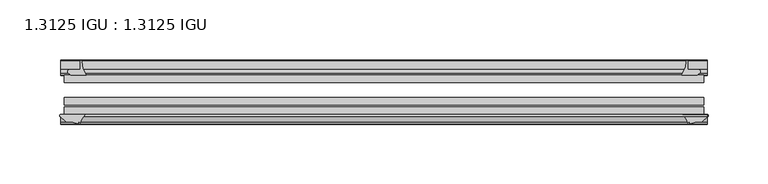
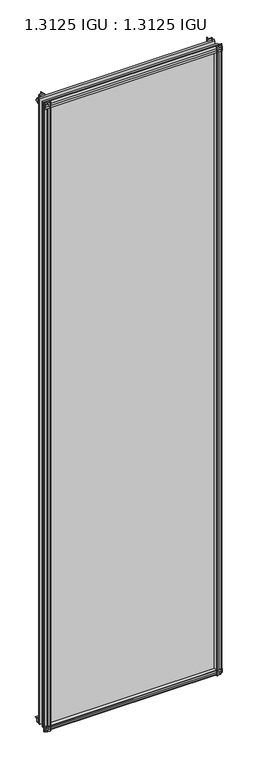
"""IFC4 building model written with IfcOpenShell, lengths in millimetres: plate geometry, 1.3125 IGU : 1.3125 IGU."""

import ifcopenshell
import ifcopenshell.guid

model = None  # the IFC model being written
_history = None  # IfcOwnerHistory: only IFC2X3 demands one
_inside = {}  # id of a spatial element -> (the spatial element, [elements in it])
_under = {}  # id of a project, library or spatial element -> (it, [spatial elements below it])
_declared = {}  # id of a project -> (the project, [libraries it declares])
_typed = {}  # id of a type object -> (the type object, [elements of that type])
_made_of = {}  # id of a material, layer set ... -> (it, [elements and type objects made of it])


def new_model(schema):
    """Start an empty IFC model of exactly this schema.

    Asked for "IFC4X3", IfcOpenShell would pick the latest addendum, in which some entities
    have other attributes; the version numbers below select the first issue.
    IFC2X3 requires an IfcOwnerHistory on every rooted entity: one is made here for all.
    """
    global model, _history
    if schema == "IFC4X3":
        model = ifcopenshell.file(schema_version=(4, 3, 0, 0))
    else:
        model = ifcopenshell.file(schema=schema)
    _inside.clear()
    _under.clear()
    _declared.clear()
    _typed.clear()
    _made_of.clear()
    _history = None
    if model.schema == "IFC2X3":
        org = make("IfcOrganization", Name="unknown")
        user = make(
            "IfcPersonAndOrganization",
            ThePerson=make("IfcPerson", FamilyName="unknown"),
            TheOrganization=org,
        )
        app = make(
            "IfcApplication",
            ApplicationDeveloper=org,
            Version="unknown",
            ApplicationFullName="unknown",
            ApplicationIdentifier="unknown",
        )
        _history = make(
            "IfcOwnerHistory",
            OwningUser=user,
            OwningApplication=app,
            ChangeAction="ADDED",
            CreationDate=0,
        )
    return model


def make(cls, **values):
    """One entity of the class cls with the attributes given. An attribute that is None is left unset."""
    return model.create_entity(
        cls, **{name: value for name, value in values.items() if value is not None}
    )


def rooted(cls, **values):
    """An entity with a GlobalId (a new one), such as an element, a storey or a relation."""
    return make(cls, GlobalId=ifcopenshell.guid.new(), OwnerHistory=_history, **values)


def si_unit(unit_type, name, prefix=None):
    """IfcSIUnit, for example si_unit("LENGTHUNIT", "METRE", prefix="MILLI")."""
    return make("IfcSIUnit", UnitType=unit_type, Prefix=prefix, Name=name)


def assignment(units):
    """IfcUnitAssignment: the units of a project."""
    return None if units is None else make("IfcUnitAssignment", Units=units)


def point(xyz):
    """IfcCartesianPoint."""
    return None if xyz is None else make("IfcCartesianPoint", Coordinates=xyz)


def direction(xyz):
    """IfcDirection."""
    return None if xyz is None else make("IfcDirection", DirectionRatios=xyz)


def frame(location, z_axis=None, x_axis=None):
    """IfcAxis2Placement3D, a coordinate frame: its origin and axes. An axis left out is left unset."""
    return make(
        "IfcAxis2Placement3D",
        Location=point(location),
        Axis=direction(z_axis),
        RefDirection=direction(x_axis),
    )


def frame_2d(location, x_axis=None):
    """IfcAxis2Placement2D, a coordinate frame in the plane: its origin and x axis."""
    return make(
        "IfcAxis2Placement2D", Location=point(location), RefDirection=direction(x_axis)
    )


def origin():
    """The frame at (0, 0, 0) with its axes left unset."""
    return frame((0.0, 0.0, 0.0))


def place(relative_to, where):
    """IfcLocalPlacement: puts the frame where relative to a parent placement (None: the world)."""
    return make(
        "IfcLocalPlacement", PlacementRelTo=relative_to, RelativePlacement=where
    )


def context(
    kind, dimensions, precision=None, world=None, true_north=None, identifier=None
):
    """IfcGeometricRepresentationContext, for example the 3D "Model" context."""
    return make(
        "IfcGeometricRepresentationContext",
        ContextIdentifier=identifier,
        ContextType=kind,
        CoordinateSpaceDimension=dimensions,
        Precision=precision,
        WorldCoordinateSystem=world,
        TrueNorth=true_north,
    )


def project(units=None, contexts=None):
    """IfcProject with its units and contexts."""
    return rooted(
        "IfcProject",
        Name="project",
        RepresentationContexts=contexts,
        UnitsInContext=assignment(units),
    )


def spatial(cls, under=None, at=None, **own):
    """A site, building, storey or space (cls), placed at a placement, below another one or the project."""
    s = rooted(cls, ObjectPlacement=at, **own)
    if under is not None:
        _under.setdefault(under.id(), (under, []))[1].append(s)
    return s


def polyline(points):
    """IfcPolyline through the points."""
    return make("IfcPolyline", Points=[point(p) for p in points])


def circle_curve(where, radius):
    """IfcCircle in the frame where."""
    return make("IfcCircle", Position=where, Radius=radius)


def trimmed(basis, trim1, trim2, sense, master):
    """IfcTrimmedCurve: the piece of a basis curve between two trims."""
    return make(
        "IfcTrimmedCurve",
        BasisCurve=basis,
        Trim1=trim1,
        Trim2=trim2,
        SenseAgreement=sense,
        MasterRepresentation=master,
    )


def segment(curve, same_sense, transition):
    """IfcCompositeCurveSegment."""
    return make(
        "IfcCompositeCurveSegment",
        Transition=transition,
        SameSense=same_sense,
        ParentCurve=curve,
    )


def composite_curve(segments, self_intersect=None):
    """IfcCompositeCurve: segments joined end to end."""
    return make("IfcCompositeCurve", Segments=segments, SelfIntersect=self_intersect)


def outline(outer, holes=None, kind="AREA"):
    """IfcArbitraryClosedProfileDef: a profile drawn as a closed curve; with holes, ...WithVoids."""
    if holes is None:
        return make("IfcArbitraryClosedProfileDef", ProfileType=kind, OuterCurve=outer)
    return make(
        "IfcArbitraryProfileDefWithVoids",
        ProfileType=kind,
        OuterCurve=outer,
        InnerCurves=holes,
    )


def extrude(swept, where, along, depth):
    """IfcExtrudedAreaSolid: the profile swept, set in the frame where, extruded along a direction by depth."""
    return make(
        "IfcExtrudedAreaSolid",
        SweptArea=swept,
        Position=where,
        ExtrudedDirection=direction(along),
        Depth=depth,
    )


def shape(context_of_items, identifier, shape_type, items):
    """IfcShapeRepresentation: the items that make up one representation, for example the "Body"."""
    return make(
        "IfcShapeRepresentation",
        ContextOfItems=context_of_items,
        RepresentationIdentifier=identifier,
        RepresentationType=shape_type,
        Items=items,
    )


def source(mapping_origin, context_of_items, identifier, shape_type, items):
    """IfcRepresentationMap: a shape defined once, which mapped items show again and again."""
    return make(
        "IfcRepresentationMap",
        MappingOrigin=mapping_origin,
        MappedRepresentation=shape(context_of_items, identifier, shape_type, items),
    )


def transform(
    local_origin,
    x_axis=None,
    y_axis=None,
    z_axis=None,
    scale=None,
    scale2=None,
    scale3=None,
    uniform=True,
):
    """IfcCartesianTransformationOperator3D, or its non-uniform kind. x_axis, y_axis, z_axis: its Axis1, 2, 3."""
    if uniform:
        return make(
            "IfcCartesianTransformationOperator3D",
            Axis1=direction(x_axis),
            Axis2=direction(y_axis),
            LocalOrigin=point(local_origin),
            Scale=scale,
            Axis3=direction(z_axis),
        )
    return make(
        "IfcCartesianTransformationOperator3DnonUniform",
        Axis1=direction(x_axis),
        Axis2=direction(y_axis),
        LocalOrigin=point(local_origin),
        Scale=scale,
        Axis3=direction(z_axis),
        Scale2=scale2,
        Scale3=scale3,
    )


def mapped(mapping_source, mapping_target):
    """IfcMappedItem: shows the shape of a source again, moved by a transform."""
    return make(
        "IfcMappedItem", MappingSource=mapping_source, MappingTarget=mapping_target
    )


def made_of(thing, what):
    """Note that an element or type object is made of a material, layer set ...; save() writes the relation."""
    if what is not None:
        _made_of.setdefault(what.id(), (what, []))[1].append(thing)
    return thing


def element(
    cls,
    number,
    at=None,
    inside=None,
    cuts=None,
    type_object=None,
    material=None,
    context=None,
    identifier="Body",
    shape_type=None,
    held_by="IfcProductDefinitionShape",
    body=None,
    shapes=None,
    **own,
):
    """One element of the class cls, such as IfcWall. Its Tag is "e" and its number.

    at: its placement. inside: the storey or other place that contains it. cuts: it is an
    opening in that element (IfcRelVoidsElement). A single representation is given by context,
    identifier, shape_type and body (its items); several are given by shapes. held_by: the class
    of the entity that holds the representations. save() writes the other relations.
    """
    e = rooted(cls, Tag="e%d" % number, ObjectPlacement=at, **own)
    if body is not None:
        shapes = [shape(context, identifier, shape_type, body)]
    if shapes is not None:
        e.Representation = make(held_by, Representations=shapes)
    if inside is not None:
        _inside.setdefault(inside.id(), (inside, []))[1].append(e)
    if cuts is not None:
        rooted(
            "IfcRelVoidsElement", RelatingBuildingElement=cuts, RelatedOpeningElement=e
        )
    if type_object is not None:
        _typed.setdefault(type_object.id(), (type_object, []))[1].append(e)
    return made_of(e, material)


def aggregate(whole, parts):
    """IfcRelAggregates: a whole, such as a stair, and the parts it consists of."""
    return rooted("IfcRelAggregates", RelatingObject=whole, RelatedObjects=parts)


def save(model, path):
    """Write the relations noted so far, then the file.

    IfcRelAggregates (storeys below a building ...), IfcRelContainedInSpatialStructure (elements
    in a storey), IfcRelDefinesByType, IfcRelAssociatesMaterial and IfcRelDeclares: one each for
    every whole, place, type object, material and project.
    """
    for whole, parts in _under.values():
        aggregate(whole, parts)
    for where, things in _inside.values():
        rooted(
            "IfcRelContainedInSpatialStructure",
            RelatedElements=things,
            RelatingStructure=where,
        )
    for kind, things in _typed.values():
        rooted("IfcRelDefinesByType", RelatedObjects=things, RelatingType=kind)
    for what, things in _made_of.values():
        rooted("IfcRelAssociatesMaterial", RelatedObjects=things, RelatingMaterial=what)
    for by, libraries in _declared.values():
        rooted("IfcRelDeclares", RelatingContext=by, RelatedDefinitions=libraries)
    model.write(path)


def plate_1_3125_igu_1_3125_igu_39c47b8d(model_context):
    return source(origin(), model_context, "Body", "SweptSolid", [
        extrude(outline(composite_curve([segment(polyline([(-22.094825, 0.0), (-22.094825, -9.916835)]), True, "CONTINUOUS"), segment(trimmed(circle_curve(frame_2d((-23.669625, -9.916835)), 1.5748), [point((-22.094825, -9.916835))], [point((-24.8706146, -10.9354709))], False, "CARTESIAN"), True, "CONTINUOUS"), segment(polyline([(-24.8706146, -10.9354709), (-26.590625, -8.9075484), (-26.590625, 4.0446407)]), True, "CONTINUOUS"), segment(trimmed(circle_curve(frame_2d((-7.1839113, 38.4138813)), 39.4698015), [point((-26.590625, 4.0446407))], [point((-19.4504626, 0.8985917))], True, "CARTESIAN"), True, "CONTINUOUS"), segment(polyline([(-19.4504626, 0.8985917), (-13.3986538, 0.0), (-22.094825, 0.0)]), True, "CONTINUOUS")], self_intersect=False)), frame((-271.0684763, 0.0, 0.0), z_axis=(1.0, 0.0, 0.0), x_axis=(0.0, 1.0, 0.0)), (0.0, 0.0, 1.0), 542.1369525),
        extrude(outline(composite_curve([segment(trimmed(circle_curve(frame_2d((-67.8737919, 9.6311377)), 10.5748618), [point((-66.062225, -0.7874))], [point((-59.712225, 2.9068141))], True, "CARTESIAN"), True, "CONTINUOUS"), segment(polyline([(-59.712225, 2.9068141), (-59.712225, -18.0442511)]), True, "CONTINUOUS"), segment(trimmed(circle_curve(frame_2d((-60.728225, -18.0442511)), 1.016), [point((-59.712225, -18.0442511))], [point((-61.4950672, -18.7107412))], False, "CARTESIAN"), True, "CONTINUOUS"), segment(polyline([(-61.4950672, -18.7107412), (-66.062225, -13.4559149), (-66.062225, -7.4520336), (-67.637025, -1.5748), (-66.062225, -1.5748), (-66.062225, -0.7874)]), True, "CONTINUOUS")], self_intersect=False)), frame((-271.0684763, 0.0, 0.0), z_axis=(1.0, 0.0, 0.0), x_axis=(0.0, 1.0, 0.0)), (0.0, 0.0, 1.0), 542.1369525),
        extrude(outline(composite_curve([segment(polyline([(-66.062225, 2013.6598774), (-61.4950672, 2018.9147037)]), True, "CONTINUOUS"), segment(trimmed(circle_curve(frame_2d((-60.728225, 2018.2482136)), 1.016), [point((-61.4950672, 2018.9147037))], [point((-59.712225, 2018.2482136))], False, "CARTESIAN"), True, "CONTINUOUS"), segment(polyline([(-59.712225, 2018.2482136), (-59.712225, 1997.7230921)]), True, "CONTINUOUS"), segment(trimmed(circle_curve(frame_2d((-66.4211348, 1992.0932283)), 8.7581298), [point((-59.712225, 1997.7230921))], [point((-66.062225, 2000.8440009))], True, "CARTESIAN"), True, "CONTINUOUS"), segment(polyline([(-66.062225, 2000.8440009), (-66.062225, 2001.7787625), (-67.637025, 2001.7787625), (-66.062225, 2007.6559961), (-66.062225, 2013.6598774)]), True, "CONTINUOUS")], self_intersect=False)), frame((-271.0684763, 0.0, 0.0), z_axis=(1.0, 0.0, 0.0), x_axis=(0.0, 1.0, 0.0)), (0.0, 0.0, 1.0), 542.1369525),
        extrude(outline(composite_curve([segment(polyline([(-26.590625, 1996.1593218), (-26.590625, 2009.1115109), (-24.8706146, 2011.1394334)]), True, "CONTINUOUS"), segment(trimmed(circle_curve(frame_2d((-23.669625, 2010.1207975)), 1.5748), [point((-24.8706146, 2011.1394334))], [point((-22.094825, 2010.1207975))], False, "CARTESIAN"), True, "CONTINUOUS"), segment(polyline([(-22.094825, 2010.1207975), (-22.094825, 2000.25), (-14.5883882, 2000.25), (-18.3240316, 1999.4633459)]), True, "CONTINUOUS"), segment(trimmed(circle_curve(frame_2d((-16.4585419, 1986.834903)), 12.7654855), [point((-18.3240316, 1999.4633459))], [point((-20.5939581, 1998.9119869))], True, "CARTESIAN"), True, "CONTINUOUS"), segment(trimmed(circle_curve(frame_2d((-7.1839113, 1961.7900812)), 39.4698015), [point((-20.5939581, 1998.9119869))], [point((-26.590625, 1996.1593218))], True, "CARTESIAN"), True, "CONTINUOUS")], self_intersect=False)), frame((-271.0684763, 0.0, 0.0), z_axis=(1.0, 0.0, 0.0), x_axis=(0.0, 1.0, 0.0)), (0.0, 0.0, 1.0), 542.1369525),
        extrude(outline(composite_curve([segment(polyline([(262.9075484, -26.590625), (249.9553593, -26.590625)]), True, "CONTINUOUS"), segment(trimmed(circle_curve(frame_2d((215.5861187, -7.1839113)), 39.4698015), [point((249.9553593, -26.590625))], [point((253.1014083, -19.4504626))], True, "CARTESIAN"), True, "CONTINUOUS"), segment(polyline([(253.1014083, -19.4504626), (253.7472834, -15.1006424)]), True, "CONTINUOUS"), segment(trimmed(circle_curve(frame_2d((254.5267687, -15.2120036)), 0.7874), [point((253.7472834, -15.1006424))], [point((254.79375, -14.4712474))], False, "CARTESIAN"), True, "CONTINUOUS"), segment(polyline([(254.79375, -14.4712474), (254.79375, -22.094825), (263.916835, -22.094825)]), True, "CONTINUOUS"), segment(trimmed(circle_curve(frame_2d((263.916835, -23.669625)), 1.5748), [point((263.916835, -22.094825))], [point((264.9354709, -24.8706146))], False, "CARTESIAN"), True, "CONTINUOUS"), segment(polyline([(264.9354709, -24.8706146), (262.9075484, -26.590625)]), True, "CONTINUOUS")], self_intersect=False)), frame((0.0, 0.0, -18.2728511), z_axis=(0.0, 0.0, 1.0), x_axis=(1.0, 0.0, 0.0)), (0.0, 0.0, 1.0), 2037.8352548),
        extrude(outline(composite_curve([segment(polyline([(250.6489748, -59.712225), (271.2094015, -59.712225)]), True, "CONTINUOUS"), segment(trimmed(circle_curve(frame_2d((271.2094015, -60.728225)), 1.016), [point((271.2094015, -59.712225))], [point((271.8758916, -61.4950672))], False, "CARTESIAN"), True, "CONTINUOUS"), segment(polyline([(271.8758916, -61.4950672), (266.6210653, -66.062225), (262.6458336, -66.062225), (256.7686, -67.637025), (256.7686, -66.062225), (255.6782443, -66.062225)]), True, "CONTINUOUS"), segment(trimmed(circle_curve(frame_2d((255.6782443, -66.849625)), 0.7874), [point((255.6782443, -66.062225))], [point((254.9005385, -66.7264485))], True, "CARTESIAN"), True, "CONTINUOUS"), segment(trimmed(circle_curve(frame_2d((241.8352219, -69.8501675)), 13.4335445), [point((254.9005385, -66.7264485))], [point((250.6489748, -59.712225))], True, "CARTESIAN"), True, "CONTINUOUS")], self_intersect=False)), frame((0.0, 0.0, -18.2728511), z_axis=(0.0, 0.0, 1.0), x_axis=(1.0, 0.0, 0.0)), (0.0, 0.0, 1.0), 2037.8352548),
        extrude(outline(composite_curve([segment(polyline([(-253.7472834, -15.1006424), (-253.2728683, -18.2957187)]), True, "CONTINUOUS"), segment(trimmed(circle_curve(frame_2d((-240.7105951, -16.4304327)), 12.7), [point((-253.2728683, -18.2957187))], [point((-252.7241235, -20.5493081))], True, "CARTESIAN"), True, "CONTINUOUS"), segment(trimmed(circle_curve(frame_2d((-215.5861187, -7.1839113)), 39.4698015), [point((-252.7241235, -20.5493081))], [point((-249.9553593, -26.590625))], True, "CARTESIAN"), True, "CONTINUOUS"), segment(polyline([(-249.9553593, -26.590625), (-262.9075484, -26.590625), (-264.9354709, -24.8706146)]), True, "CONTINUOUS"), segment(trimmed(circle_curve(frame_2d((-263.916835, -23.669625)), 1.5748), [point((-264.9354709, -24.8706146))], [point((-263.916835, -22.094825))], False, "CARTESIAN"), True, "CONTINUOUS"), segment(polyline([(-263.916835, -22.094825), (-254.762, -22.094825), (-254.762, -14.4605617)]), True, "CONTINUOUS"), segment(trimmed(circle_curve(frame_2d((-254.5267687, -15.2120036)), 0.7874), [point((-254.762, -14.4605617))], [point((-253.7472834, -15.1006424))], False, "CARTESIAN"), True, "CONTINUOUS")], self_intersect=False)), frame((0.0, 0.0, -18.2728511), z_axis=(0.0, 0.0, 1.0), x_axis=(1.0, 0.0, 0.0)), (0.0, 0.0, 1.0), 2038.1847648),
        extrude(outline(composite_curve([segment(trimmed(circle_curve(frame_2d((-241.8352219, -69.8501675)), 13.4335445), [point((-250.6489748, -59.712225))], [point((-254.9005385, -66.7264485))], True, "CARTESIAN"), True, "CONTINUOUS"), segment(trimmed(circle_curve(frame_2d((-255.6782443, -66.849625)), 0.7874), [point((-254.9005385, -66.7264485))], [point((-255.6782443, -66.062225))], True, "CARTESIAN"), True, "CONTINUOUS"), segment(polyline([(-255.6782443, -66.062225), (-256.7686, -66.062225), (-256.7686, -67.637025), (-262.6458336, -66.062225), (-266.6210653, -66.062225), (-271.8758916, -61.4950672)]), True, "CONTINUOUS"), segment(trimmed(circle_curve(frame_2d((-271.2094015, -60.728225)), 1.016), [point((-271.8758916, -61.4950672))], [point((-271.2094015, -59.712225))], False, "CARTESIAN"), True, "CONTINUOUS"), segment(polyline([(-271.2094015, -59.712225), (-250.6489748, -59.712225)]), True, "CONTINUOUS")], self_intersect=False)), frame((0.0, 0.0, -18.2728511), z_axis=(0.0, 0.0, 1.0), x_axis=(1.0, 0.0, 0.0)), (0.0, 0.0, 1.0), 2038.1847648),
        extrude(outline(polyline([(-268.2875, -26.590625), (268.2875, -26.590625), (268.2875, -32.889825), (-268.2875, -32.889825), (-268.2875, -26.590625)])), frame((0.0, 0.0, -12.8524), z_axis=(0.0, 0.0, 1.0), x_axis=(1.0, 0.0, 0.0)), (0.0, 0.0, 1.0), 2027.3438625),
        extrude(outline(polyline([(268.2875, -45.589825), (268.2875, -51.889025), (-268.2875, -51.889025), (-268.2875, -45.589825), (268.2875, -45.589825)])), frame((0.0, 0.0, -12.8524), z_axis=(0.0, 0.0, 1.0), x_axis=(1.0, 0.0, 0.0)), (0.0, 0.0, 1.0), 2027.3438625),
        extrude(outline(polyline([(268.2875, -53.413025), (268.2875, -59.712225), (-268.2875, -59.712225), (-268.2875, -53.413025), (268.2875, -53.413025)])), frame((0.0, 0.0, -12.8524), z_axis=(0.0, 0.0, 1.0), x_axis=(1.0, 0.0, 0.0)), (0.0, 0.0, 1.0), 2027.3438625),
    ])


if __name__ == "__main__":
    model = new_model("IFC4")
    model_context = context("Model", 3, world=origin())
    ifc_project = project(units=[si_unit("LENGTHUNIT", "METRE", prefix="MILLI")], contexts=[model_context])
    site = spatial("IfcSite", under=ifc_project)
    building = spatial("IfcBuilding", under=site)
    placement = place(None, origin())
    plate_1_3125_igu_1_3125_igu_shape = plate_1_3125_igu_1_3125_igu_39c47b8d(model_context)
    element("IfcPlate", 1, ObjectType="1.3125 IGU : 1.3125 IGU", at=placement, inside=building, context=model_context, shape_type="MappedRepresentation", body=[
        mapped(plate_1_3125_igu_1_3125_igu_shape, transform((0.0, 0.0, 0.0), x_axis=(1.0, 0.0, 0.0), y_axis=(0.0, 1.0, 0.0), z_axis=(0.0, 0.0, 1.0))),
    ])
    save(model, "model.ifc")
